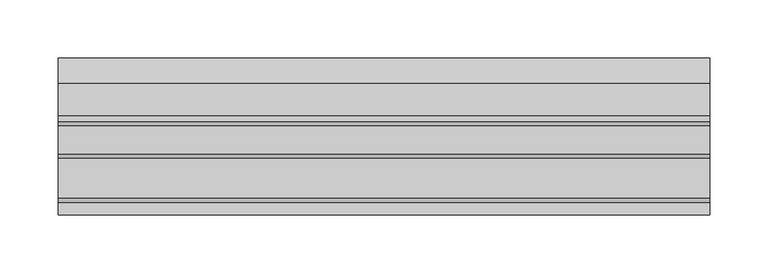
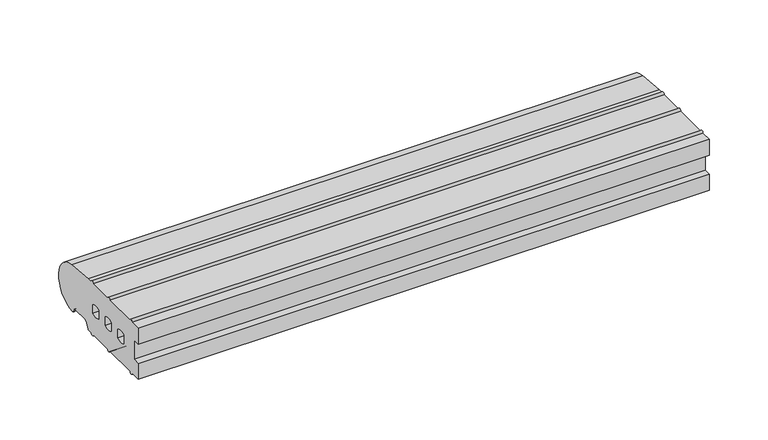
"""IFC4 building model written with IfcOpenShell, lengths in millimetres: proxy geometry."""

from ifc_helpers import new_model, si_unit, point, frame, frame_2d, origin, place, context, project, spatial, polyline, circle_curve, trimmed, segment, composite_curve, outline, extrude, source, transform, mapped, element, save


def generic_models_77f90f91(model_context):
    return source(origin(), model_context, "Body", "SweptSolid", [
        extrude(outline(composite_curve([segment(trimmed(circle_curve(frame_2d((26.5732255, 3.5071443)), 1.0), [point((26.5981483, 2.5074549))], [point((25.7072001, 3.0071443))], False, "CARTESIAN"), True, "CONTINUOUS"), segment(polyline([(25.7072001, 3.0071443), (23.6905989, 6.5)]), True, "CONTINUOUS"), segment(trimmed(circle_curve(frame_2d((21.9585481, 5.5)), 2.0), [point((23.6905989, 6.5))], [point((21.9585481, 7.5))], True, "CARTESIAN"), True, "CONTINUOUS"), segment(polyline([(21.9585481, 7.5), (5.4848276, 7.5)]), True, "CONTINUOUS"), segment(trimmed(circle_curve(frame_2d((5.4848276, 5.5)), 2.0), [point((5.4848276, 7.5))], [point((3.7527767, 6.5))], True, "CARTESIAN"), True, "CONTINUOUS"), segment(polyline([(3.7527767, 6.5), (0.2886751, 0.5)]), True, "CONTINUOUS"), segment(trimmed(circle_curve(frame_2d((-0.5773503, 1.0)), 1.0), [point((0.2886751, 0.5))], [point((-0.5773503, 0.0))], False, "CARTESIAN"), True, "CONTINUOUS"), segment(polyline([(-0.5773503, 0.0), (-5.0, 0.0)]), True, "CONTINUOUS"), segment(trimmed(circle_curve(frame_2d((-6.75, 0.0)), 1.75), [point((-5.0, 0.0))], [point((-8.5, 0.0))], False, "CARTESIAN"), True, "CONTINUOUS"), segment(polyline([(-8.5, 0.0), (-33.0, 0.0)]), True, "CONTINUOUS"), segment(trimmed(circle_curve(frame_2d((-34.75, 0.0)), 1.75), [point((-33.0, 0.0))], [point((-36.5, 0.0))], False, "CARTESIAN"), True, "CONTINUOUS"), segment(polyline([(-36.5, 0.0), (-71.0, 0.0)]), True, "CONTINUOUS"), segment(trimmed(circle_curve(frame_2d((-72.75, 0.0)), 1.75), [point((-71.0, 0.0))], [point((-74.5, 0.0))], False, "CARTESIAN"), True, "CONTINUOUS"), segment(polyline([(-74.5, 0.0), (-85.0, 0.0), (-85.0, 16.5), (-78.0, 16.5), (-78.0, 36.5), (-85.0, 36.5), (-85.0, 52.8558627), (-74.5, 52.8558627)]), True, "CONTINUOUS"), segment(trimmed(circle_curve(frame_2d((-72.75, 52.8558627)), 1.75), [point((-74.5, 52.8558627))], [point((-71.0, 52.8558627))], False, "CARTESIAN"), True, "CONTINUOUS"), segment(polyline([(-71.0, 52.8558627), (-36.5, 52.8558627)]), True, "CONTINUOUS"), segment(trimmed(circle_curve(frame_2d((-34.75, 52.8558627)), 1.75), [point((-36.5, 52.8558627))], [point((-33.0, 52.8558627))], False, "CARTESIAN"), True, "CONTINUOUS"), segment(polyline([(-33.0, 52.8558627), (-8.5, 52.8558627)]), True, "CONTINUOUS"), segment(trimmed(circle_curve(frame_2d((-6.75, 52.8558627)), 1.75), [point((-8.5, 52.8558627))], [point((-5.0, 52.8558627))], False, "CARTESIAN"), True, "CONTINUOUS"), segment(polyline([(-5.0, 52.8558627), (0.0400993, 52.8558627), (28.0858073, 50.4091909)]), True, "CONTINUOUS"), segment(trimmed(circle_curve(frame_2d((26.0, 26.5)), 24.0), [point((28.0858073, 50.4091909))], [point((26.5981483, 2.5074549))], False, "CARTESIAN"), True, "CONTINUOUS")], self_intersect=False), holes=[composite_curve([segment(trimmed(circle_curve(frame_2d((-13.0, 23.4166667)), 9.0833333), [point((-8.0, 31.0))], [point((-18.0, 31.0))], True, "CARTESIAN"), True, "CONTINUOUS"), segment(polyline([(-18.0, 31.0), (-18.0, 22.0)]), True, "CONTINUOUS"), segment(trimmed(circle_curve(frame_2d((-13.0, 29.5833333)), 9.0833333), [point((-18.0, 22.0))], [point((-8.0, 22.0))], True, "CARTESIAN"), True, "CONTINUOUS"), segment(polyline([(-8.0, 22.0), (-8.0, 31.0)]), True, "CONTINUOUS")], self_intersect=False), composite_curve([segment(polyline([(-29.0, 22.0), (-29.0, 31.0)]), True, "CONTINUOUS"), segment(trimmed(circle_curve(frame_2d((-34.0, 23.4166667)), 9.0833333), [point((-29.0, 31.0))], [point((-39.0, 31.0))], True, "CARTESIAN"), True, "CONTINUOUS"), segment(polyline([(-39.0, 31.0), (-39.0, 22.0)]), True, "CONTINUOUS"), segment(trimmed(circle_curve(frame_2d((-34.0, 29.5833333)), 9.0833333), [point((-39.0, 22.0))], [point((-29.0, 22.0))], True, "CARTESIAN"), True, "CONTINUOUS")], self_intersect=False), composite_curve([segment(polyline([(-50.0, 22.0), (-50.0, 31.0)]), True, "CONTINUOUS"), segment(trimmed(circle_curve(frame_2d((-55.0, 23.4166667)), 9.0833333), [point((-50.0, 31.0))], [point((-60.0, 31.0))], True, "CARTESIAN"), True, "CONTINUOUS"), segment(polyline([(-60.0, 31.0), (-60.0, 22.0)]), True, "CONTINUOUS"), segment(trimmed(circle_curve(frame_2d((-55.0, 29.5833333)), 9.0833333), [point((-60.0, 22.0))], [point((-50.0, 22.0))], True, "CARTESIAN"), True, "CONTINUOUS")], self_intersect=False)]), frame((0.0, 0.0, 0.0), z_axis=(1.0, 0.0, 0.0), x_axis=(0.0, 1.0, 0.0)), (0.0, 0.0, 1.0), 560.0),
    ])


if __name__ == "__main__":
    model = new_model("IFC4")
    model_context = context("Model", 3, world=origin())
    ifc_project = project(units=[si_unit("LENGTHUNIT", "METRE", prefix="MILLI")], contexts=[model_context])
    site = spatial("IfcSite", under=ifc_project)
    building = spatial("IfcBuilding", under=site)
    placement = place(None, origin())
    generic_models_shape = generic_models_77f90f91(model_context)
    element("IfcBuildingElementProxy", 1, Name="Generic Models", at=placement, inside=building, context=model_context, shape_type="MappedRepresentation", body=[
        mapped(generic_models_shape, transform((0.0, 0.0, 0.0), x_axis=(1.0, 0.0, 0.0), y_axis=(0.0, 1.0, 0.0), z_axis=(0.0, 0.0, 1.0))),
    ])
    save(model, "model.ifc")
